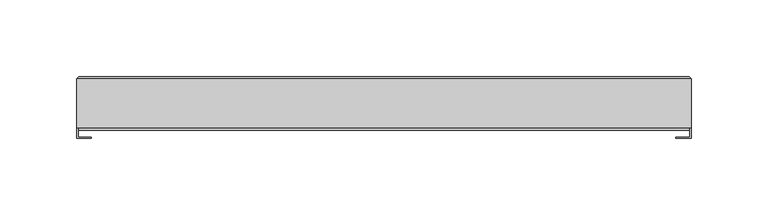
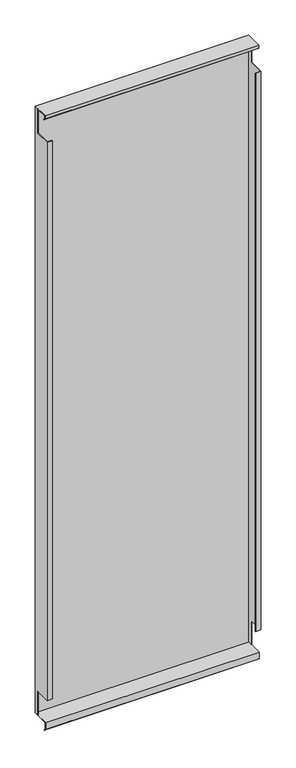
"""IFC4 building model written with IfcOpenShell, lengths in millimetres: plate geometry."""

from ifc_helpers import new_model, si_unit, frame, origin, place, context, project, spatial, polyline, outline, extrude, faceted_brep, source, transform, mapped, element, save


def plate_7715fbe0(model_context):
    return source(origin(), model_context, "Body", "SolidModel", [
        faceted_brep([(-198.4000002, 32.2, 1198.4), (-198.4000002, 23.0, 1198.4), (-198.4000002, 23.0, 1151.2), (-198.4000002, -6.2, 1151.2), (-198.4000002, -6.2, 48.0), (-198.4000002, 23.0, 48.0), (-198.4000002, 23.0, 0.8), (-198.4000002, 32.2, 0.8), (-199.2000002, 0.8, 1198.4), (-199.2000002, 0.8, 1193.5313708), (-199.2000002, 4.8083261, 1189.5230447), (-199.2000002, 4.2426407, 1188.9573593), (-199.2000002, 0.0, 1193.2), (-199.2000002, 0.0, 1199.2), (-199.2000002, 31.8, 1199.2), (-199.2000002, 31.8, 0.0), (-199.2000002, -0.8, 0.0), (-199.2000002, -0.8, -11.6686292), (-199.2000002, 3.2083261, -15.6769553), (-199.2000002, 2.6426407, -16.2426407), (-199.2000002, -1.6, -12.0), (-199.2000002, -1.6, 0.8), (-199.2000002, 23.0, 0.8), (-199.2000002, 23.0, 48.0), (-199.2000002, -7.0, 48.0), (-199.2000002, -7.0, 1151.2), (-199.2000002, 23.0, 1151.2), (-199.2000002, 23.0, 1198.4), (200.0000002, -0.8, 0.0), (199.2000002, 31.85, 0.0), (200.0000002, 31.85, 0.0), (-198.0000002, 33.0, 1.15), (-198.0000002, 33.0, 1198.0), (198.8000002, 33.0, 1198.0), (198.8000002, 33.0, 1.15), (190.0000002, 33.0, 10.0), (190.0000002, 33.0, 1189.2), (-190.0000002, 33.0, 1189.2), (-190.0000002, 33.0, 10.0), (200.0000002, 0.0, 1199.2), (200.0000002, 31.8, 1199.2), (199.2000002, 31.8, 1199.2), (200.0000002, 0.0, 1193.2), (200.0000002, 4.2426407, 1188.9573593), (200.0000002, 4.8083261, 1189.5230447), (200.0000002, 0.8, 1193.5313708), (200.0000002, 0.8, 1198.4), (200.0000002, 23.0, 1198.4), (200.0000002, 23.0, 1151.2), (200.0000002, -7.0, 1151.2), (200.0000002, -7.0, 48.0), (200.0000002, 23.0, 48.0), (200.0000002, 23.0, 0.8), (200.0000002, -1.6, 0.8), (200.0000002, -1.6, -12.0), (200.0000002, 2.6426407, -16.2426407), (200.0000002, 3.2083261, -15.6769553), (200.0000002, -0.8, -11.6686292), (199.2000002, 32.2, 1198.4), (199.2000002, 23.0, 1198.4), (199.2000002, 32.2, 0.8), (190.0000002, 32.2, 1189.2), (190.0000002, 32.2, 10.0), (-190.0000002, 32.2, 10.0), (-190.0000002, 32.2, 1189.2), (199.2000002, 23.0, 0.8), (199.2000002, 23.0, 48.0), (199.2000002, -6.2, 48.0), (199.2000002, -6.2, 1151.2), (199.2000002, 23.0, 1151.2), (190.0000002, -6.2, 1151.2), (190.0000002, -7.0, 1151.2), (190.0000002, -7.0, 48.0), (190.0000002, -6.2, 48.0), (-190.0000002, -7.0, 1151.2), (-190.0000002, -6.2, 1151.2), (-190.0000002, -6.2, 48.0), (-190.0000002, -7.0, 48.0)], [[[0, 1, 2, 3, 4, 5, 6, 7]], [[8, 9, 10, 11, 12, 13, 14, 15, 16, 17, 18, 19, 20, 21, 22, 23, 24, 25, 26, 27]], [[1, 27, 26, 2]], [[22, 6, 5, 23]], [[28, 16, 15, 29, 30]], [[31, 32, 33, 34], [35, 36, 37, 38]], [[13, 39, 40, 41, 14]], [[39, 42, 43, 44, 45, 46, 47, 48, 49, 50, 51, 52, 53, 54, 55, 56, 57, 28, 30, 40]], [[42, 39, 13, 12]], [[46, 45, 9, 8]], [[46, 8, 27, 1, 0, 58, 59, 47]], [[58, 0, 7, 60], [61, 62, 63, 64]], [[36, 61, 64, 37]], [[54, 53, 21, 20]], [[21, 53, 52, 65, 60, 7, 6, 22]], [[62, 35, 38, 63]], [[29, 15, 31, 34, 30]], [[41, 40, 33, 32, 14]], [[59, 58, 60, 65, 66, 67, 68, 69]], [[47, 59, 69, 48]], [[65, 52, 51, 66]], [[49, 48, 69, 68, 70, 71]], [[50, 72, 73, 67, 66, 51]], [[70, 68, 67, 73]], [[71, 70, 73, 72]], [[49, 71, 72, 50]], [[25, 74, 75, 3, 2, 26]], [[24, 23, 5, 4, 76, 77]], [[3, 75, 76, 4]], [[75, 74, 77, 76]], [[74, 25, 24, 77]], [[28, 57, 17, 16]], [[62, 61, 36, 35]], [[64, 63, 38, 37]], [[55, 54, 20, 19]], [[56, 55, 19, 18]], [[57, 56, 18, 17]], [[43, 42, 12, 11]], [[44, 43, 11, 10]], [[45, 44, 10, 9]], [[15, 14, 32, 31]], [[34, 33, 40, 30]]]),
        extrude(outline(polyline([(199.2000002, 31.0), (-198.4000002, 31.0), (-198.4000002, 32.5), (199.2000002, 32.5), (199.2000002, 31.0)])), frame((0.0, 0.0, 0.8), z_axis=(0.0, 0.0, 1.0), x_axis=(1.0, 0.0, 0.0)), (0.0, 0.0, 1.0), 1197.6),
        extrude(outline(polyline([(190.0000002, 32.2), (-190.0000002, 32.2), (-190.0000002, 33.0), (190.0000002, 33.0), (190.0000002, 32.2)])), frame((0.0, 0.0, 10.0), z_axis=(0.0, 0.0, 1.0), x_axis=(1.0, 0.0, 0.0)), (0.0, 0.0, 1.0), 1179.2),
    ])


if __name__ == "__main__":
    model = new_model("IFC4")
    model_context = context("Model", 3, world=origin())
    ifc_project = project(units=[si_unit("LENGTHUNIT", "METRE", prefix="MILLI")], contexts=[model_context])
    site = spatial("IfcSite", under=ifc_project)
    building = spatial("IfcBuilding", under=site)
    placement = place(None, origin())
    plate_shape = plate_7715fbe0(model_context)
    element("IfcPlate", 1, at=placement, inside=building, context=model_context, shape_type="MappedRepresentation", body=[
        mapped(plate_shape, transform((0.0, 0.0, 0.0), x_axis=(1.0, 0.0, 0.0), y_axis=(0.0, 1.0, 0.0), z_axis=(0.0, 0.0, 1.0))),
    ])
    save(model, "model.ifc")
